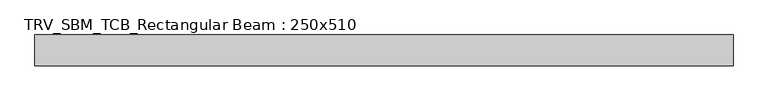
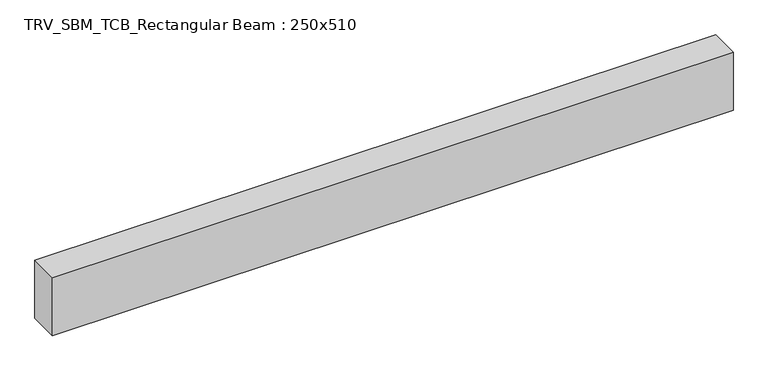
"""IFC4 building model written with IfcOpenShell, lengths in millimetres: beam geometry, TRV_SBM_TCB_Rectangular Beam : 250x510."""

from ifc_helpers import new_model, si_unit, frame, origin, place, context, project, spatial, polyline, outline, extrude, source, transform, mapped, element, save


def trv_sbm_tcb_rectangular_beam_250x510_50048cf4(model_context):
    return source(origin(), model_context, "Body", "SweptSolid", [
        extrude(outline(polyline([(2824.2, 125.0), (2824.2, -125.0), (-2824.2, -125.0), (-2824.2, 125.0), (2824.2, 125.0)])), frame((0.0, 0.0, -255.0), z_axis=(0.0, 0.0, 1.0), x_axis=(1.0, 0.0, 0.0)), (0.0, 0.0, 1.0), 510.0),
    ])


if __name__ == "__main__":
    model = new_model("IFC4")
    model_context = context("Model", 3, world=origin())
    ifc_project = project(units=[si_unit("LENGTHUNIT", "METRE", prefix="MILLI")], contexts=[model_context])
    site = spatial("IfcSite", under=ifc_project)
    building = spatial("IfcBuilding", under=site)
    placement = place(None, origin())
    trv_sbm_tcb_rectangular_beam_250x510_shape = trv_sbm_tcb_rectangular_beam_250x510_50048cf4(model_context)
    element("IfcBeam", 1, ObjectType="TRV_SBM_TCB_Rectangular Beam : 250x510", at=placement, inside=building, context=model_context, shape_type="MappedRepresentation", body=[
        mapped(trv_sbm_tcb_rectangular_beam_250x510_shape, transform((0.0, 0.0, 0.0), x_axis=(1.0, 0.0, 0.0), y_axis=(0.0, 1.0, 0.0), z_axis=(0.0, 0.0, 1.0))),
    ])
    save(model, "model.ifc")
